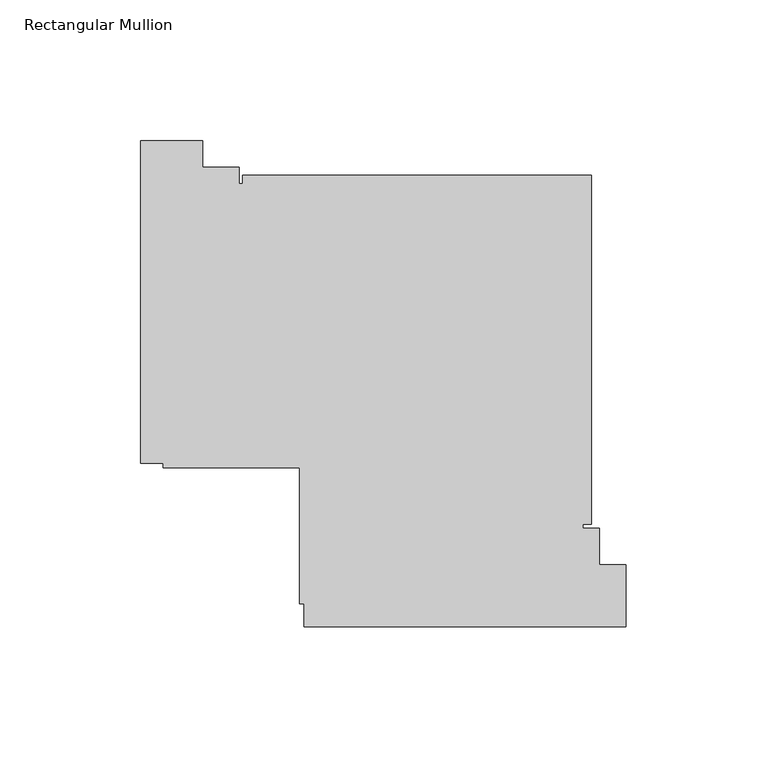
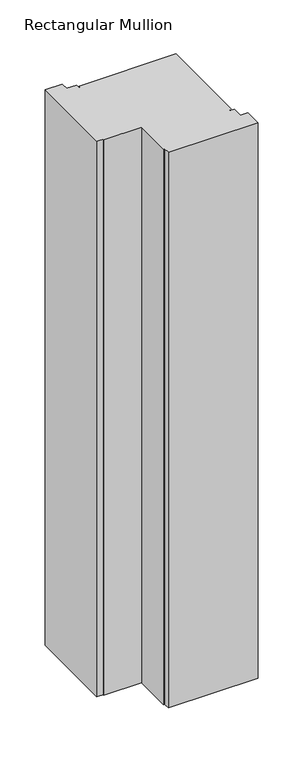
"""IFC4 building model written with IfcOpenShell, lengths in millimetres: member geometry, Rectangular Mullion."""

from ifc_helpers import new_model, si_unit, frame, origin, place, context, project, spatial, polyline, outline, extrude, source, transform, mapped, element, save


def rectangular_mullion_3a2a3606(model_context):
    return source(origin(), model_context, "Body", "SweptSolid", [
        extrude(outline(polyline([(-192.0097665, -15.0000854), (-170.0099868, -15.0000854), (-170.0099868, -24.5000025), (-157.0084604, -24.5000025), (-157.0084604, -30.3000025), (-155.8100025, -30.3000025), (-155.8100025, -27.3000025), (-31.8100025, -27.3000025), (-31.8100025, -151.3000025), (-34.8100025, -151.3000025), (-34.8100025, -152.6999669), (-29.0100025, -152.6999669), (-29.0100025, -165.699906), (-19.5100025, -165.699906), (-19.5100025, -187.6999669), (-134.0100025, -187.6999669), (-134.0100025, -179.5000025), (-135.6100025, -179.5000025), (-135.6100025, -131.1000025), (-184.0100025, -131.1000025), (-184.0100025, -129.5000025), (-192.0097665, -129.5000025), (-192.0097665, -15.0000854)])), frame((0.0, 0.0, -750.6149322), z_axis=(0.0, 0.0, 1.0), x_axis=(1.0, 0.0, 0.0)), (0.0, 0.0, 1.0), 750.6149322),
    ])


if __name__ == "__main__":
    model = new_model("IFC4")
    model_context = context("Model", 3, world=origin())
    ifc_project = project(units=[si_unit("LENGTHUNIT", "METRE", prefix="MILLI")], contexts=[model_context])
    site = spatial("IfcSite", under=ifc_project)
    building = spatial("IfcBuilding", under=site)
    placement = place(None, origin())
    rectangular_mullion_shape = rectangular_mullion_3a2a3606(model_context)
    element("IfcMember", 1, ObjectType="Rectangular Mullion", at=placement, inside=building, context=model_context, shape_type="MappedRepresentation", body=[
        mapped(rectangular_mullion_shape, transform((0.0, 0.0, 0.0), x_axis=(1.0, 0.0, 0.0), y_axis=(0.0, 1.0, 0.0), z_axis=(0.0, 0.0, 1.0))),
    ])
    save(model, "model.ifc")
